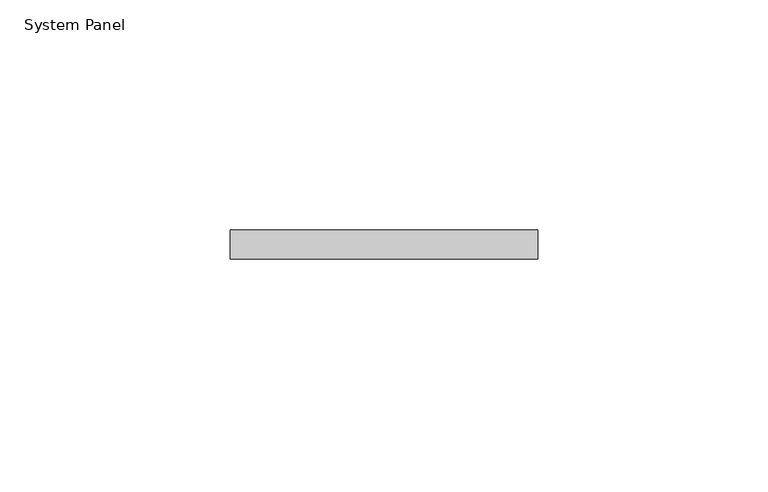
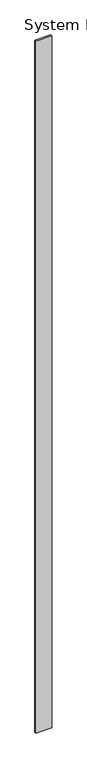
"""IFC4 building model written with IfcOpenShell, lengths in millimetres: plate geometry, System Panel."""

from ifc_helpers import new_model, si_unit, origin, origin_with_axes, place, context, project, spatial, polyline, outline, extrude, source, transform, mapped, element, save


def system_panel_a0af1528(model_context):
    return source(origin(), model_context, "Body", "SweptSolid", [
        extrude(outline(polyline([(33.4064238, -6.35), (-33.4064238, -6.35), (-33.4064238, 0.0), (33.4064238, 0.0), (33.4064238, -6.35)])), origin_with_axes(), (0.0, 0.0, 1.0), 3048.0),
    ])


if __name__ == "__main__":
    model = new_model("IFC4")
    model_context = context("Model", 3, world=origin())
    ifc_project = project(units=[si_unit("LENGTHUNIT", "METRE", prefix="MILLI")], contexts=[model_context])
    site = spatial("IfcSite", under=ifc_project)
    building = spatial("IfcBuilding", under=site)
    placement = place(None, origin())
    system_panel_shape = system_panel_a0af1528(model_context)
    element("IfcPlate", 1, ObjectType="System Panel", at=placement, inside=building, context=model_context, shape_type="MappedRepresentation", body=[
        mapped(system_panel_shape, transform((0.0, 0.0, 0.0), x_axis=(1.0, 0.0, 0.0), y_axis=(0.0, 1.0, 0.0), z_axis=(0.0, 0.0, 1.0))),
    ])
    save(model, "model.ifc")
